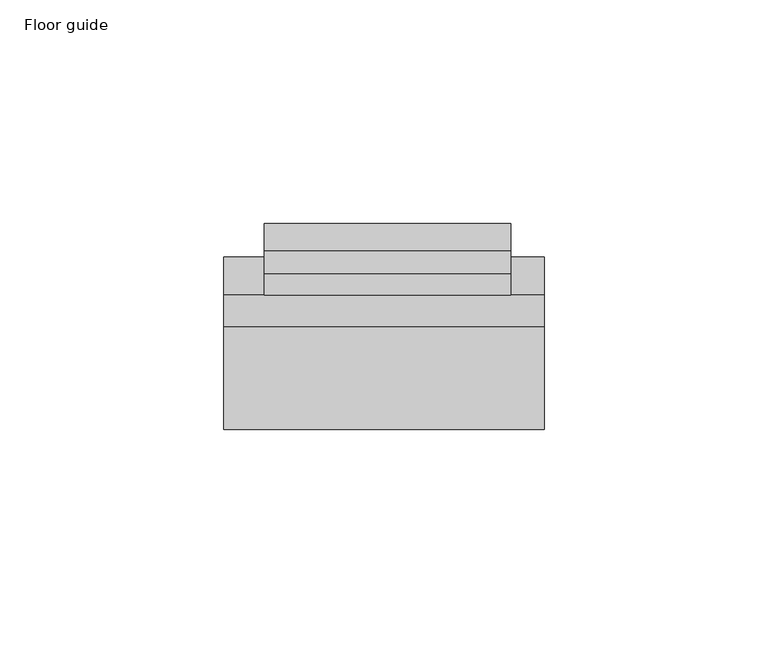
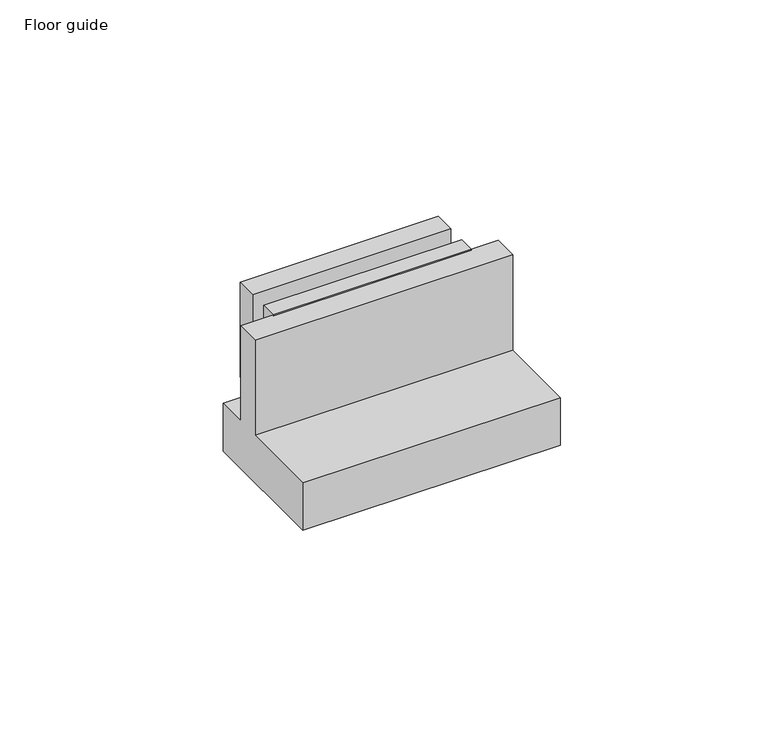
"""IFC4 building model written with IfcOpenShell, lengths in millimetres: proxy geometry, Floor guide."""

from ifc_helpers import new_model, si_unit, frame, origin, place, context, project, spatial, polyline, outline, extrude, source, transform, mapped, element, save


def floor_guide_8b02db42(model_context):
    return source(origin(), model_context, "Body", "SweptSolid", [
        extrude(outline(polyline([(34.6709531, 42.0), (34.6709531, 17.0662424), (39.9343768, 17.0662424), (39.9343768, 42.0), (46.0, 42.0), (46.0, 14.0), (30.0, 14.0), (30.0, 42.0), (34.6709531, 42.0)])), frame((-8.187635, 0.0, 0.0), z_axis=(1.0, 0.0, 0.0), x_axis=(0.0, 1.0, 0.0)), (0.0, 0.0, 1.0), 55.1239278),
        extrude(outline(polyline([(0.0, 14.0), (23.0, 14.0), (23.0, 42.0), (30.0, 42.0), (30.0, 14.0), (38.5, 14.0), (38.5, 0.0), (0.0, 0.0), (0.0, 14.0)])), frame((-17.25, 0.0, 0.0), z_axis=(1.0, 0.0, 0.0), x_axis=(0.0, 1.0, 0.0)), (0.0, 0.0, 1.0), 71.6541199),
    ])


if __name__ == "__main__":
    model = new_model("IFC4")
    model_context = context("Model", 3, world=origin())
    ifc_project = project(units=[si_unit("LENGTHUNIT", "METRE", prefix="MILLI")], contexts=[model_context])
    site = spatial("IfcSite", under=ifc_project)
    building = spatial("IfcBuilding", under=site)
    placement = place(None, origin())
    floor_guide_shape = floor_guide_8b02db42(model_context)
    element("IfcBuildingElementProxy", 1, Name="Floor guide", ObjectType="Floor guide", at=placement, inside=building, context=model_context, shape_type="MappedRepresentation", body=[
        mapped(floor_guide_shape, transform((0.0, 0.0, 0.0), x_axis=(1.0, 0.0, 0.0), y_axis=(0.0, 1.0, 0.0), z_axis=(0.0, 0.0, 1.0))),
    ])
    save(model, "model.ifc")
